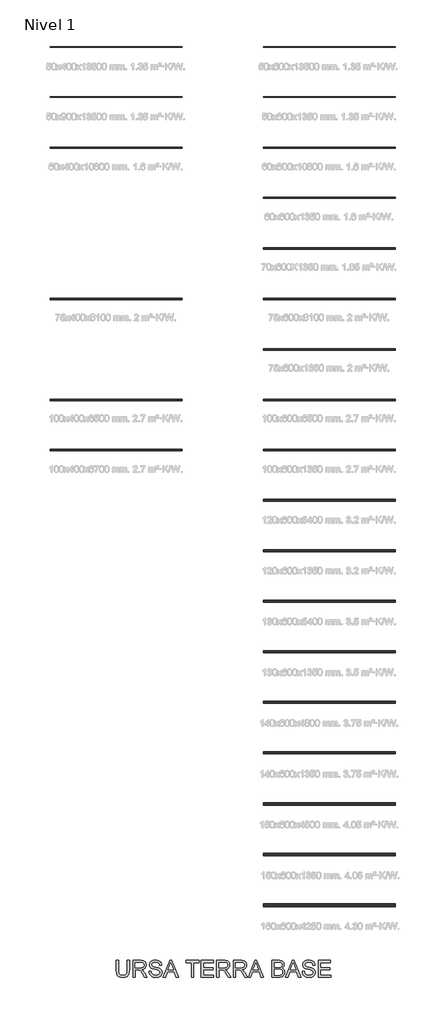
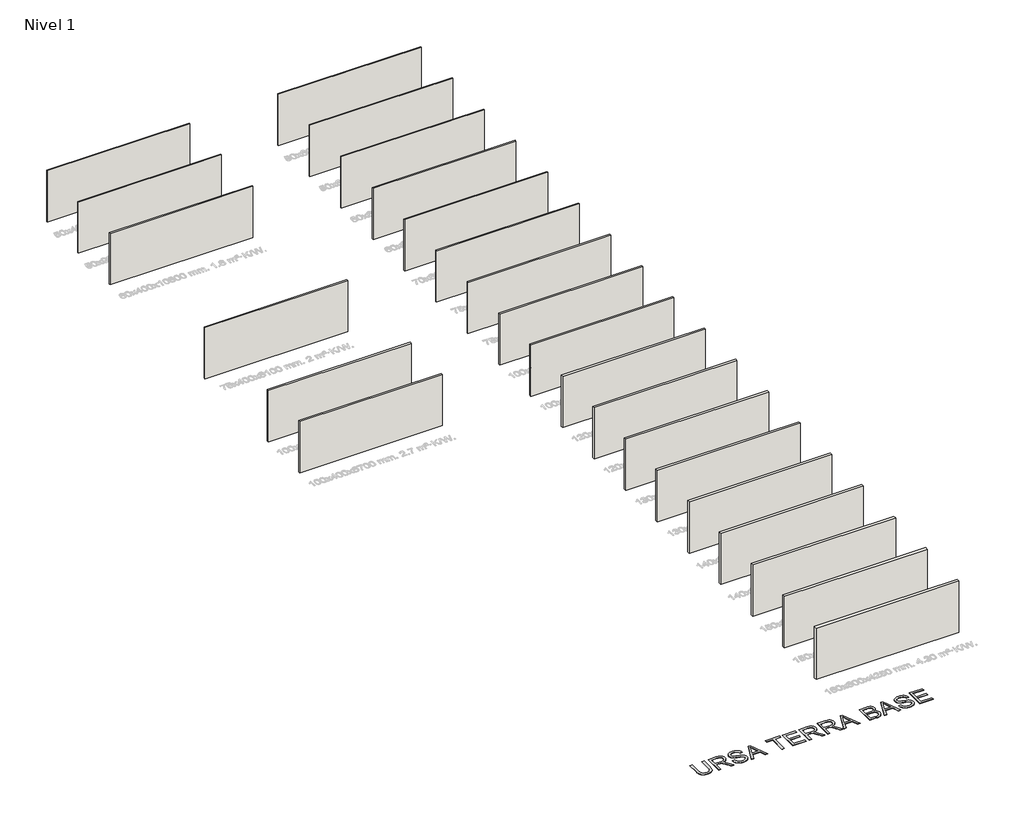
# One storey, part 1 of 25: 24 walls, 1 proxy.
"""IFC4 building model written with IfcOpenShell, lengths in millimetres."""

from ifc_helpers import new_model, si_unit, origin, origin_with_axes, place, context, project, spatial, polyline, outline, extrude, element, save

model = new_model("IFC4")

# Units and contexts
model_context = context("Model", 3, world=origin())
ifc_project = project(units=[si_unit("LENGTHUNIT", "METRE", prefix="MILLI")], contexts=[model_context])

# Site, building, storey
site = spatial("IfcSite", under=ifc_project)
building = spatial("IfcBuilding", under=site)
storey = spatial("IfcBuildingStorey", under=building, Name="Nivel 1", Elevation=0.0)

# Proxy
placement = place(None, origin())
element("IfcBuildingElementProxy", 1, Name="Texto de modelo 2", ObjectType="Texto de modelo 2", at=placement, inside=storey, context=model_context, shape_type="SweptSolid", body=[
    extrude(outline(polyline([(-8415.3049415, -50794.1482547), (-8289.7345538, -50794.1482547), (-8289.7345538, -51373.6850245), (-8291.8652037, -51445.4450061), (-8298.2571533, -51509.4028238), (-8308.9104028, -51565.5584776), (-8323.824952, -51613.9119673), (-8344.288388, -51656.2950388), (-8371.5882977, -51694.5394379), (-8405.7246812, -51728.6451645), (-8446.6975384, -51758.6122187), (-8494.5528546, -51783.022722), (-8549.336615, -51800.4587957), (-8611.0488197, -51810.9204399), (-8679.6894687, -51814.4076547), (-8746.6363276, -51811.3726282), (-8807.1912368, -51802.2675488), (-8861.3541964, -51787.0924165), (-8909.1252063, -51765.8472313), (-8950.5119308, -51738.8462257), (-8985.522034, -51706.4036323), (-9014.1555159, -51668.519451), (-9036.4123767, -51625.1936818), (-9053.097358, -51574.9394684), (-9065.0152018, -51516.2699544), (-9072.1659081, -51449.1851398), (-9074.5494768, -51373.6850245), (-9074.5494768, -50794.1482547), (-8948.9790891, -50794.1482547), (-8948.9790891, -51369.2704405), (-8947.4309191, -51429.9786339), (-8942.7864089, -51482.1182425), (-8935.0455586, -51525.6892663), (-8924.2083681, -51560.6917053), (-8909.6003872, -51589.6547482), (-8890.5471656, -51615.1075838), (-8867.0487031, -51637.050212), (-8839.1049999, -51655.4826328), (-8807.2525505, -51670.0752852), (-8772.0278495, -51680.4986084), (-8733.4308968, -51686.7526023), (-8691.4616925, -51688.837267), (-8622.2538922, -51684.713923), (-8563.7453265, -51672.3438909), (-8515.9359956, -51651.7271707), (-8496.0435431, -51638.3263026), (-8478.8258993, -51622.8637625), (-8463.9381748, -51604.4696628), (-8451.0354802, -51582.2741157), (-8431.1851809, -51526.4786798), (-8419.2750013, -51455.4774547), (-8415.3049415, -51369.2704405), (-8415.3049415, -50794.1482547)])), origin_with_axes(), (0.0, 0.0, 1.0), 10.0),
    extrude(outline(polyline([(-8069.9863753, -51798.7113562), (-8069.9863753, -50794.1482547), (-7637.1118943, -50794.1482547), (-7574.9781582, -50795.8420447), (-7520.7692134, -50800.9234148), (-7474.4850598, -50809.3923649), (-7436.1256976, -50821.248895), (-7403.4608421, -50837.405046), (-7374.2602088, -50858.7728585), (-7348.5237975, -50885.3523327), (-7326.2516084, -50917.1434684), (-7308.2790401, -50952.4371473), (-7295.4414913, -50989.524251), (-7287.738962, -51028.4047794), (-7285.1714523, -51069.0787324), (-7289.4250878, -51120.6741823), (-7302.1859946, -51168.0389891), (-7323.4541724, -51211.1731531), (-7353.2296214, -51250.0766741), (-7391.8955519, -51283.5079504), (-7439.8351744, -51310.2253803), (-7497.0484889, -51330.2289638), (-7563.5354953, -51343.5187008), (-7522.1487708, -51370.5580275), (-7492.1663882, -51397.2294721), (-7440.7242226, -51458.2365697), (-7390.3857029, -51526.4786798), (-7222.8767678, -51798.7113562), (-7368.8032925, -51798.7113562), (-7499.5240281, -51590.4901469), (-7551.8245851, -51511.027636), (-7593.9470736, -51452.6570261), (-7629.0491473, -51412.4659181), (-7660.28846, -51387.5419129), (-7689.8723038, -51372.9186036), (-7720.0079706, -51363.6295832), (-7792.8486056, -51359.2149993), (-7944.4159876, -51359.2149993), (-7944.4159876, -51798.7113562), (-8069.9863753, -51798.7113562)]), holes=[polyline([(-7944.4159876, -51233.6446116), (-7663.3541433, -51233.6446116), (-7582.6347022, -51229.1993708), (-7520.0027925, -51215.8636485), (-7494.8182043, -51205.6395947), (-7472.8525835, -51192.7483965), (-7454.1059301, -51177.1900538), (-7438.5782443, -51158.9645666), (-7426.3998174, -51138.9686473), (-7417.700941, -51118.0990083), (-7412.4816152, -51096.3556495), (-7410.74184, -51073.738571), (-7414.0604421, -51041.6255386), (-7424.0162486, -51012.4862189), (-7440.6092595, -50986.3206119), (-7463.8394746, -50963.1287178), (-7494.2433887, -50944.1368098), (-7532.3574962, -50930.5711613), (-7578.1817972, -50922.4317721), (-7631.7162917, -50919.7186424), (-7944.4159876, -50919.7186424), (-7944.4159876, -51233.6446116)])]), origin_with_axes(), (0.0, 0.0, 1.0), 10.0),
    extrude(outline(polyline([(-7112.5121692, -51453.3927901), (-6986.9417815, -51453.3927901), (-6981.1936253, -51489.9433991), (-6972.53307, -51523.0757713), (-6960.9601156, -51552.7899066), (-6946.4747621, -51579.0858051), (-6928.3412454, -51602.492297), (-6905.8238016, -51623.5382128), (-6878.9224307, -51642.2235525), (-6847.6371327, -51658.548316), (-6813.1175388, -51671.7997321), (-6776.5132803, -51681.2650293), (-6737.8243571, -51686.9442076), (-6697.0507693, -51688.837267), (-6627.0918766, -51683.1044392), (-6595.3773829, -51675.9384045), (-6565.8395244, -51665.905956), (-6539.2064008, -51653.3673113), (-6516.2061119, -51638.6826883), (-6496.8386577, -51621.852087), (-6481.1040382, -51602.8755074), (-6468.9256113, -51582.5730198), (-6460.2267349, -51561.7646945), (-6455.0074091, -51540.4505314), (-6453.2676339, -51518.6305305), (-6458.4792955, -51476.6000126), (-6474.1142802, -51440.2716656), (-6487.2660616, -51424.1538357), (-6505.8747592, -51409.2776075), (-6529.940373, -51395.642981), (-6559.4629031, -51383.2499563), (-6625.7736328, -51363.5376127), (-6742.3002547, -51335.3026696), (-6862.3217557, -51303.5728475), (-6906.1227057, -51288.2827521), (-6939.1171222, -51273.3758671), (-6972.6480332, -51253.3722836), (-7001.6264045, -51231.1307513), (-7026.0522361, -51206.6512702), (-7045.9255281, -51179.9338403), (-7061.3229224, -51151.2543731), (-7072.3210612, -51120.8887801), (-7078.9199445, -51088.8370613), (-7081.1195723, -51055.0992166), (-7078.3987784, -51017.7055447), (-7070.2363966, -50981.5534744), (-7056.632427, -50946.6430059), (-7037.5868695, -50912.9741392), (-7013.3143221, -50881.9187674), (-6984.0293824, -50854.8487839), (-6949.7320506, -50831.7641887), (-6910.4223265, -50812.6649818), (-6867.4261183, -50797.6967831), (-6822.069334, -50787.0052126), (-6774.3519736, -50780.5902704), (-6724.274037, -50778.4519563), (-6669.6435607, -50780.6899051), (-6618.3240224, -50787.4037515), (-6570.315422, -50798.5934955), (-6525.6177596, -50814.2591371), (-6485.0587696, -50834.2627206), (-6449.4661866, -50858.4662902), (-6418.8400105, -50886.8698459), (-6393.1802413, -50919.4733877), (-6372.6861485, -50955.3265539), (-6357.5570014, -50993.4789824), (-6347.7928002, -51033.9306735), (-6343.3935446, -51076.681627), (-6468.9639323, -51076.681627), (-6477.3639045, -51036.6131464), (-6492.0178707, -51001.7563273), (-6512.9258307, -50972.1111699), (-6540.0877847, -50947.677674), (-6574.0095704, -50928.5784671), (-6615.1970254, -50914.9361765), (-6663.6501498, -50906.7508021), (-6719.3689437, -50904.0223439), (-6776.8658339, -50906.7201452), (-6825.9934086, -50914.8135491), (-6866.751668, -50928.3025556), (-6899.140612, -50947.1871647), (-6923.8193625, -50969.8885495), (-6941.4470415, -50994.8278831), (-6952.0236488, -51022.0051655), (-6955.5491846, -51051.4203967), (-6953.0506527, -51076.7276123), (-6945.5550571, -51099.6742517), (-6933.0623976, -51120.260315), (-6915.5726745, -51138.4858022), (-6888.0428385, -51155.7455991), (-6844.6940767, -51173.1893371), (-6785.5263892, -51190.817016), (-6710.5397758, -51208.6286359), (-6572.0935183, -51242.2898385), (-6523.3798108, -51257.5109561), (-6488.3390507, -51271.6590845), (-6449.8417328, -51293.1035391), (-6416.7553458, -51317.2151382), (-6389.0798899, -51343.9938818), (-6366.815365, -51373.4397698), (-6349.701188, -51405.3995181), (-6337.4767759, -51439.7198426), (-6330.1421286, -51476.4007432), (-6327.6972462, -51515.4422199), (-6330.5100106, -51554.7212871), (-6338.9483039, -51592.8507231), (-6353.012126, -51629.8305278), (-6372.7014769, -51665.6607013), (-6397.6714673, -51698.9540219), (-6427.5772079, -51728.3232678), (-6462.4186985, -51753.7684391), (-6502.1959392, -51775.2895359), (-6545.7516346, -51792.4037128), (-6591.9284892, -51804.628125), (-6640.726503, -51811.9627722), (-6692.1456761, -51814.4076547), (-6756.3794053, -51811.771167), (-6815.1715466, -51803.8617041), (-6868.5221001, -51790.679266), (-6916.4310658, -51772.2238526), (-6959.1896835, -51748.464807), (-6997.0891932, -51719.3714726), (-7030.1295949, -51684.9438492), (-7058.3108886, -51645.1819369), (-7081.0122734, -51601.3733226), (-7097.6129484, -51554.8055934), (-7108.1129137, -51505.4787492), (-7112.5121692, -51453.3927901)])), origin_with_axes(), (0.0, 0.0, 1.0), 10.0),
    extrude(outline(polyline([(-6256.0828844, -51798.7113562), (-5855.0915097, -50794.1482547), (-5748.1604764, -50794.1482547), (-5347.4143564, -51798.7113562), (-5480.0971293, -51798.7113562), (-5594.8763118, -51484.785387), (-6008.8661837, -51484.785387), (-6123.6453662, -51798.7113562), (-6256.0828844, -51798.7113562)]), holes=[polyline([(-5962.758307, -51359.2149993), (-5640.7389338, -51359.2149993), (-5731.4831593, -51112.2435532), (-5801.8712477, -50919.7186424), (-5864.4111869, -51090.6611428), (-5962.758307, -51359.2149993)])]), origin_with_axes(), (0.0, 0.0, 1.0), 10.0),
    extrude(outline(polyline([(-4569.7118185, -51798.7113562), (-4569.7118185, -50919.7186424), (-4899.3340862, -50919.7186424), (-4899.3340862, -50794.1482547), (-4114.5191632, -50794.1482547), (-4114.5191632, -50919.7186424), (-4444.1414309, -50919.7186424), (-4444.1414309, -51798.7113562), (-4569.7118185, -51798.7113562)])), origin_with_axes(), (0.0, 0.0, 1.0), 10.0),
    extrude(outline(polyline([(-3973.252477, -51798.7113562), (-3973.252477, -50794.1482547), (-3251.2227478, -50794.1482547), (-3251.2227478, -50919.7186424), (-3847.6820893, -50919.7186424), (-3847.6820893, -51217.9483132), (-3282.6153448, -51217.9483132), (-3282.6153448, -51343.5187008), (-3847.6820893, -51343.5187008), (-3847.6820893, -51673.1409685), (-3235.5264494, -51673.1409685), (-3235.5264494, -51798.7113562), (-3973.252477, -51798.7113562)])), origin_with_axes(), (0.0, 0.0, 1.0), 10.0),
    extrude(outline(polyline([(-3047.1708678, -51798.7113562), (-3047.1708678, -50794.1482547), (-2614.2963869, -50794.1482547), (-2552.1626507, -50795.8420447), (-2497.9537059, -50800.9234148), (-2451.6695524, -50809.3923649), (-2413.3101902, -50821.248895), (-2380.6453347, -50837.405046), (-2351.4447013, -50858.7728585), (-2325.7082901, -50885.3523327), (-2303.4361009, -50917.1434684), (-2285.4635326, -50952.4371473), (-2272.6259838, -50989.524251), (-2264.9234546, -51028.4047794), (-2262.3559448, -51069.0787324), (-2266.6095804, -51120.6741823), (-2279.3704871, -51168.0389891), (-2300.6386649, -51211.1731531), (-2330.4141139, -51250.0766741), (-2369.0800444, -51283.5079504), (-2417.0196669, -51310.2253803), (-2474.2329814, -51330.2289638), (-2540.7199878, -51343.5187008), (-2499.3332634, -51370.5580275), (-2469.3508808, -51397.2294721), (-2417.9087151, -51458.2365697), (-2367.5701954, -51526.4786798), (-2200.0612603, -51798.7113562), (-2345.987785, -51798.7113562), (-2476.7085207, -51590.4901469), (-2529.0090776, -51511.027636), (-2571.1315661, -51452.6570261), (-2606.2336398, -51412.4659181), (-2637.4729525, -51387.5419129), (-2667.0567963, -51372.9186036), (-2697.1924631, -51363.6295832), (-2770.0330981, -51359.2149993), (-2921.6004802, -51359.2149993), (-2921.6004802, -51798.7113562), (-3047.1708678, -51798.7113562)]), holes=[polyline([(-2921.6004802, -51233.6446116), (-2640.5386358, -51233.6446116), (-2559.8191947, -51229.1993708), (-2497.1872851, -51215.8636485), (-2472.0026968, -51205.6395947), (-2450.037076, -51192.7483965), (-2431.2904227, -51177.1900538), (-2415.7627368, -51158.9645666), (-2403.5843099, -51138.9686473), (-2394.8854336, -51118.0990083), (-2389.6661078, -51096.3556495), (-2387.9263325, -51073.738571), (-2391.2449347, -51041.6255386), (-2401.2007411, -51012.4862189), (-2417.793752, -50986.3206119), (-2441.0239671, -50963.1287178), (-2471.4278812, -50944.1368098), (-2509.5419887, -50930.5711613), (-2555.3662898, -50922.4317721), (-2608.9007843, -50919.7186424), (-2921.6004802, -50919.7186424), (-2921.6004802, -51233.6446116)])]), origin_with_axes(), (0.0, 0.0, 1.0), 10.0),
    extrude(outline(polyline([(-2042.6077663, -51798.7113562), (-2042.6077663, -50794.1482547), (-1609.7332854, -50794.1482547), (-1547.5995492, -50795.8420447), (-1493.3906044, -50800.9234148), (-1447.1064509, -50809.3923649), (-1408.7470887, -50821.248895), (-1376.0822332, -50837.405046), (-1346.8815998, -50858.7728585), (-1321.1451886, -50885.3523327), (-1298.8729994, -50917.1434684), (-1280.9004311, -50952.4371473), (-1268.0628823, -50989.524251), (-1260.3603531, -51028.4047794), (-1257.7928433, -51069.0787324), (-1262.0464789, -51120.6741823), (-1274.8073856, -51168.0389891), (-1296.0755634, -51211.1731531), (-1325.8510124, -51250.0766741), (-1364.5169429, -51283.5079504), (-1412.4565654, -51310.2253803), (-1469.6698799, -51330.2289638), (-1536.1568863, -51343.5187008), (-1494.7701619, -51370.5580275), (-1464.7877793, -51397.2294721), (-1413.3456136, -51458.2365697), (-1363.0070939, -51526.4786798), (-1195.4981588, -51798.7113562), (-1341.4246835, -51798.7113562), (-1472.1454192, -51590.4901469), (-1524.4459761, -51511.027636), (-1566.5684646, -51452.6570261), (-1601.6705383, -51412.4659181), (-1632.9098511, -51387.5419129), (-1662.4936948, -51372.9186036), (-1692.6293616, -51363.6295832), (-1765.4699966, -51359.2149993), (-1917.0373787, -51359.2149993), (-1917.0373787, -51798.7113562), (-2042.6077663, -51798.7113562)]), holes=[polyline([(-1917.0373787, -51233.6446116), (-1635.9755343, -51233.6446116), (-1555.2560932, -51229.1993708), (-1492.6241836, -51215.8636485), (-1467.4395953, -51205.6395947), (-1445.4739745, -51192.7483965), (-1426.7273212, -51177.1900538), (-1411.1996353, -51158.9645666), (-1399.0212084, -51138.9686473), (-1390.3223321, -51118.0990083), (-1385.1030063, -51096.3556495), (-1383.363231, -51073.738571), (-1386.6818332, -51041.6255386), (-1396.6376397, -51012.4862189), (-1413.2306505, -50986.3206119), (-1436.4608656, -50963.1287178), (-1466.8647797, -50944.1368098), (-1504.9788872, -50930.5711613), (-1550.8031883, -50922.4317721), (-1604.3376828, -50919.7186424), (-1917.0373787, -50919.7186424), (-1917.0373787, -51233.6446116)])]), origin_with_axes(), (0.0, 0.0, 1.0), 10.0),
    extrude(outline(polyline([(-1154.7858847, -51798.7113562), (-753.7945099, -50794.1482547), (-646.8634766, -50794.1482547), (-246.1173566, -51798.7113562), (-378.8001295, -51798.7113562), (-493.579312, -51484.785387), (-907.5691839, -51484.785387), (-1022.3483664, -51798.7113562), (-1154.7858847, -51798.7113562)]), holes=[polyline([(-861.4613072, -51359.2149993), (-539.4419341, -51359.2149993), (-630.1861595, -51112.2435532), (-700.5742479, -50919.7186424), (-763.1141871, -51090.6611428), (-861.4613072, -51359.2149993)])]), origin_with_axes(), (0.0, 0.0, 1.0), 10.0),
    extrude(outline(polyline([(280.4444059, -51798.7113562), (280.4444059, -50794.1482547), (663.7774448, -50794.1482547), (719.3812756, -50795.9953289), (769.2062933, -50801.5365515), (813.252498, -50810.7719224), (851.5198897, -50823.7014417), (884.9818229, -50840.4630651), (914.6116519, -50861.1947483), (940.4093768, -50885.8964915), (962.3749976, -50914.5682945), (979.9183702, -50945.5930094), (992.4493507, -50977.3534883), (999.967939, -51009.8497312), (1002.4741351, -51043.0817381), (1000.3664778, -51073.7768921), (994.043506, -51103.5676695), (983.5052197, -51132.4540703), (968.7516188, -51160.4360946), (949.7367182, -51186.6400225), (926.4145326, -51210.1921344), (898.7850619, -51231.0924303), (866.8483062, -51249.3409101), (904.7478159, -51265.497061), (938.0028154, -51286.4969916), (966.6133047, -51312.3407018), (990.5792839, -51343.0281915), (1009.5175424, -51377.6244275), (1023.04487, -51415.1943762), (1031.1612665, -51455.7380378), (1033.866732, -51499.2554121), (1032.0196578, -51534.916973), (1026.4784352, -51569.3062754), (1017.2430643, -51602.4233192), (1004.313545, -51634.2681044), (988.6555676, -51663.6833356), (971.2348223, -51689.5117173), (952.0513091, -51711.7532496), (931.105028, -51730.4079324), (907.9054697, -51746.2421866), (881.9621248, -51760.0224331), (821.8440754, -51781.4209024), (748.7888426, -51794.3887428), (660.8343889, -51798.7113562), (280.4444059, -51798.7113562)]), holes=[polyline([(406.0147935, -51202.2520147), (635.3279039, -51202.2520147), (715.5261788, -51199.5542134), (769.2369501, -51191.4608095), (794.3219037, -51183.3137562), (816.1112477, -51172.8521119), (834.6049821, -51160.0758768), (849.8031071, -51144.9850508), (861.6596372, -51127.6869328), (870.1285873, -51108.2888218), (875.2099574, -51086.7907177), (876.9037474, -51063.1926205), (875.3249205, -51040.5985347), (870.5884398, -51019.4146631), (862.6943053, -50999.6410059), (851.642517, -50981.2775629), (837.6476728, -50965.0064488), (820.9243704, -50951.5097782), (801.4726099, -50940.7875508), (779.2923913, -50932.8397669), (715.4035515, -50922.9989235), (617.9148228, -50919.7186424), (406.0147935, -50919.7186424), (406.0147935, -51202.2520147)]), polyline([(406.0147935, -51673.1409685), (663.5321902, -51673.1409685), (719.9407628, -51671.9146952), (756.7289623, -51668.2358753), (799.9857536, -51657.3526996), (835.5783366, -51640.8899803), (864.5183869, -51617.3148758), (887.8175799, -51585.0945443), (903.1766532, -51545.6698572), (908.2963443, -51500.4816855), (906.7941595, -51473.3197315), (902.287605, -51447.9971875), (894.776681, -51424.5140535), (884.2613873, -51402.8703294), (870.3815062, -51383.6868162), (852.7768199, -51367.5843147), (831.4473283, -51354.5628249), (806.3930316, -51344.6223468), (776.5102837, -51337.2723711), (740.6954387, -51332.0223885), (651.269457, -51327.8224024), (406.0147935, -51327.8224024), (406.0147935, -51673.1409685)])]), origin_with_axes(), (0.0, 0.0, 1.0), 10.0),
    extrude(outline(polyline([(1089.7847953, -51798.7113562), (1490.77617, -50794.1482547), (1597.7072033, -50794.1482547), (1998.4533233, -51798.7113562), (1865.7705504, -51798.7113562), (1750.9913679, -51484.785387), (1337.001496, -51484.785387), (1222.2223135, -51798.7113562), (1089.7847953, -51798.7113562)]), holes=[polyline([(1383.1093727, -51359.2149993), (1705.1287458, -51359.2149993), (1614.3845204, -51112.2435532), (1543.996432, -50919.7186424), (1481.4564928, -51090.6611428), (1383.1093727, -51359.2149993)])]), origin_with_axes(), (0.0, 0.0, 1.0), 10.0),
    extrude(outline(polyline([(2085.5187289, -51453.3927901), (2211.0891165, -51453.3927901), (2216.8372727, -51489.9433991), (2225.497828, -51523.0757713), (2237.0707825, -51552.7899066), (2251.556136, -51579.0858051), (2269.6896527, -51602.492297), (2292.2070965, -51623.5382128), (2319.1084674, -51642.2235525), (2350.3937654, -51658.548316), (2384.9133593, -51671.7997321), (2421.5176178, -51681.2650293), (2460.206541, -51686.9442076), (2500.9801287, -51688.837267), (2570.9390215, -51683.1044392), (2602.6535152, -51675.9384045), (2632.1913737, -51665.905956), (2658.8244973, -51653.3673113), (2681.8247862, -51638.6826883), (2701.1922404, -51621.852087), (2716.9268599, -51602.8755074), (2729.1052868, -51582.5730198), (2737.8041631, -51561.7646945), (2743.023489, -51540.4505314), (2744.7632642, -51518.6305305), (2739.5516026, -51476.6000126), (2723.9166178, -51440.2716656), (2710.7648365, -51424.1538357), (2692.1561389, -51409.2776075), (2668.0905251, -51395.642981), (2638.5679949, -51383.2499563), (2572.2572653, -51363.5376127), (2455.7306433, -51335.3026696), (2335.7091424, -51303.5728475), (2291.9081924, -51288.2827521), (2258.9137759, -51273.3758671), (2225.3828649, -51253.3722836), (2196.4044936, -51231.1307513), (2171.9786619, -51206.6512702), (2152.10537, -51179.9338403), (2136.7079756, -51151.2543731), (2125.7098368, -51120.8887801), (2119.1109535, -51088.8370613), (2116.9113258, -51055.0992166), (2119.6321197, -51017.7055447), (2127.7945015, -50981.5534744), (2141.3984711, -50946.6430059), (2160.4440285, -50912.9741392), (2184.716576, -50881.9187674), (2214.0015157, -50854.8487839), (2248.2988475, -50831.7641887), (2287.6085715, -50812.6649818), (2330.6047797, -50797.6967831), (2375.9615641, -50787.0052126), (2423.6789245, -50780.5902704), (2473.7568611, -50778.4519563), (2528.3873374, -50780.6899051), (2579.7068757, -50787.4037515), (2627.7154761, -50798.5934955), (2672.4131385, -50814.2591371), (2712.9721285, -50834.2627206), (2748.5647115, -50858.4662902), (2779.1908876, -50886.8698459), (2804.8506568, -50919.4733877), (2825.3447496, -50955.3265539), (2840.4738966, -50993.4789824), (2850.2380979, -51033.9306735), (2854.6373534, -51076.681627), (2729.0669658, -51076.681627), (2720.6669935, -51036.6131464), (2706.0130274, -51001.7563273), (2685.1050673, -50972.1111699), (2657.9431134, -50947.677674), (2624.0213277, -50928.5784671), (2582.8338727, -50914.9361765), (2534.3807482, -50906.7508021), (2478.6619544, -50904.0223439), (2421.1650642, -50906.7201452), (2372.0374894, -50914.8135491), (2331.2792301, -50928.3025556), (2298.8902861, -50947.1871647), (2274.2115356, -50969.8885495), (2256.5838566, -50994.8278831), (2246.0072493, -51022.0051655), (2242.4817135, -51051.4203967), (2244.9802454, -51076.7276123), (2252.475841, -51099.6742517), (2264.9685004, -51120.260315), (2282.4582236, -51138.4858022), (2309.9880596, -51155.7455991), (2353.3368214, -51173.1893371), (2412.5045089, -51190.817016), (2487.4911223, -51208.6286359), (2625.9373798, -51242.2898385), (2674.6510873, -51257.5109561), (2709.6918473, -51271.6590845), (2748.1891653, -51293.1035391), (2781.2755522, -51317.2151382), (2808.9510082, -51343.9938818), (2831.2155331, -51373.4397698), (2848.3297101, -51405.3995181), (2860.5541222, -51439.7198426), (2867.8887695, -51476.4007432), (2870.3336519, -51515.4422199), (2867.5208875, -51554.7212871), (2859.0825942, -51592.8507231), (2845.0187721, -51629.8305278), (2825.3294212, -51665.6607013), (2800.3594307, -51698.9540219), (2770.4536902, -51728.3232678), (2735.6121996, -51753.7684391), (2695.8349589, -51775.2895359), (2652.2792635, -51792.4037128), (2606.1024089, -51804.628125), (2557.3043951, -51811.9627722), (2505.885222, -51814.4076547), (2441.6514928, -51811.771167), (2382.8593515, -51803.8617041), (2329.508798, -51790.679266), (2281.5998323, -51772.2238526), (2238.8412146, -51748.464807), (2200.9417048, -51719.3714726), (2167.9013032, -51684.9438492), (2139.7200095, -51645.1819369), (2117.0186247, -51601.3733226), (2100.4179497, -51554.8055934), (2089.9179844, -51505.4787492), (2085.5187289, -51453.3927901)])), origin_with_axes(), (0.0, 0.0, 1.0), 10.0),
    extrude(outline(polyline([(3058.6892334, -51798.7113562), (3058.6892334, -50794.1482547), (3780.7189626, -50794.1482547), (3780.7189626, -50919.7186424), (3184.2596211, -50919.7186424), (3184.2596211, -51217.9483132), (3749.3263657, -51217.9483132), (3749.3263657, -51343.5187008), (3184.2596211, -51343.5187008), (3184.2596211, -51673.1409685), (3796.4152611, -51673.1409685), (3796.4152611, -51798.7113562), (3058.6892334, -51798.7113562)])), origin_with_axes(), (0.0, 0.0, 1.0), 10.0),
])

# Walls
element("IfcWall", 2, at=placement, inside=storey, context=model_context, shape_type="SweptSolid", body=[
    extrude(outline(polyline([(7668.7582768, 950.3831431), (-231.2417232, 950.3831431), (-231.2417232, 1000.3831431), (7668.7582768, 1000.3831431), (7668.7582768, 950.3831431)])), origin_with_axes(), (0.0, 0.0, 1.0), 3000.0),
])
element("IfcWall", 3, at=placement, inside=storey, context=model_context, shape_type="SweptSolid", body=[
    extrude(outline(polyline([(-5131.2417232, 3950.3831431), (-13031.2417232, 3950.3831431), (-13031.2417232, 4000.3831431), (-5131.2417232, 4000.3831431), (-5131.2417232, 3950.3831431)])), origin_with_axes(), (0.0, 0.0, 1.0), 3000.0),
])
element("IfcWall", 4, at=placement, inside=storey, context=model_context, shape_type="SweptSolid", body=[
    extrude(outline(polyline([(7668.7582768, -2084.6168569), (-231.2417232, -2084.6168569), (-231.2417232, -2024.6168569), (7668.7582768, -2024.6168569), (7668.7582768, -2084.6168569)])), origin_with_axes(), (0.0, 0.0, 1.0), 3000.0),
])
element("IfcWall", 5, at=placement, inside=storey, context=model_context, shape_type="SweptSolid", body=[
    extrude(outline(polyline([(7668.7582768, -5109.6168569), (-231.2417232, -5109.6168569), (-231.2417232, -5049.6168569), (7668.7582768, -5049.6168569), (7668.7582768, -5109.6168569)])), origin_with_axes(), (0.0, 0.0, 1.0), 3000.0),
])
element("IfcWall", 6, at=placement, inside=storey, context=model_context, shape_type="SweptSolid", body=[
    extrude(outline(polyline([(7668.7582768, -11174.6168569), (-231.2417232, -11174.6168569), (-231.2417232, -11099.6168569), (7668.7582768, -11099.6168569), (7668.7582768, -11174.6168569)])), origin_with_axes(), (0.0, 0.0, 1.0), 3000.0),
])
element("IfcWall", 7, at=placement, inside=storey, context=model_context, shape_type="SweptSolid", body=[
    extrude(outline(polyline([(7668.7582768, -14199.6168569), (-231.2417232, -14199.6168569), (-231.2417232, -14124.6168569), (7668.7582768, -14124.6168569), (7668.7582768, -14199.6168569)])), origin_with_axes(), (0.0, 0.0, 1.0), 3000.0),
])
element("IfcWall", 8, at=placement, inside=storey, context=model_context, shape_type="SweptSolid", body=[
    extrude(outline(polyline([(7668.7582768, -17249.6168569), (-231.2417232, -17249.6168569), (-231.2417232, -17149.6168569), (7668.7582768, -17149.6168569), (7668.7582768, -17249.6168569)])), origin_with_axes(), (0.0, 0.0, 1.0), 3000.0),
])
element("IfcWall", 9, at=placement, inside=storey, context=model_context, shape_type="SweptSolid", body=[
    extrude(outline(polyline([(7668.7582768, 3950.3831431), (-231.2417232, 3950.3831431), (-231.2417232, 4000.3831431), (7668.7582768, 4000.3831431), (7668.7582768, 3950.3831431)])), origin_with_axes(), (0.0, 0.0, 1.0), 3000.0),
])
element("IfcWall", 10, at=placement, inside=storey, context=model_context, shape_type="SweptSolid", body=[
    extrude(outline(polyline([(7668.7582768, -23263.6168569), (-231.2417232, -23263.6168569), (-231.2417232, -23143.6168569), (7668.7582768, -23143.6168569), (7668.7582768, -23263.6168569)])), origin_with_axes(), (0.0, 0.0, 1.0), 3000.0),
])
element("IfcWall", 11, at=placement, inside=storey, context=model_context, shape_type="SweptSolid", body=[
    extrude(outline(polyline([(7668.7582768, -26288.6168569), (-231.2417232, -26288.6168569), (-231.2417232, -26168.6168569), (7668.7582768, -26168.6168569), (7668.7582768, -26288.6168569)])), origin_with_axes(), (0.0, 0.0, 1.0), 3000.0),
])
element("IfcWall", 12, at=placement, inside=storey, context=model_context, shape_type="SweptSolid", body=[
    extrude(outline(polyline([(7668.7582768, -29323.6168569), (-231.2417232, -29323.6168569), (-231.2417232, -29193.6168569), (7668.7582768, -29193.6168569), (7668.7582768, -29323.6168569)])), origin_with_axes(), (0.0, 0.0, 1.0), 3000.0),
])
element("IfcWall", 13, at=placement, inside=storey, context=model_context, shape_type="SweptSolid", body=[
    extrude(outline(polyline([(7668.7582768, -32348.6168569), (-231.2417232, -32348.6168569), (-231.2417232, -32218.6168569), (7668.7582768, -32218.6168569), (7668.7582768, -32348.6168569)])), origin_with_axes(), (0.0, 0.0, 1.0), 3000.0),
])
element("IfcWall", 14, at=placement, inside=storey, context=model_context, shape_type="SweptSolid", body=[
    extrude(outline(polyline([(7668.7582768, -35383.6168569), (-231.2417232, -35383.6168569), (-231.2417232, -35243.6168569), (7668.7582768, -35243.6168569), (7668.7582768, -35383.6168569)])), origin_with_axes(), (0.0, 0.0, 1.0), 3000.0),
])
element("IfcWall", 15, at=placement, inside=storey, context=model_context, shape_type="SweptSolid", body=[
    extrude(outline(polyline([(7668.7582768, -38408.6168569), (-231.2417232, -38408.6168569), (-231.2417232, -38268.6168569), (7668.7582768, -38268.6168569), (7668.7582768, -38408.6168569)])), origin_with_axes(), (0.0, 0.0, 1.0), 3000.0),
])
element("IfcWall", 16, at=placement, inside=storey, context=model_context, shape_type="SweptSolid", body=[
    extrude(outline(polyline([(7668.7582768, -20243.6168569), (-231.2417232, -20243.6168569), (-231.2417232, -20143.6168569), (7668.7582768, -20143.6168569), (7668.7582768, -20243.6168569)])), origin_with_axes(), (0.0, 0.0, 1.0), 3000.0),
])
element("IfcWall", 17, at=placement, inside=storey, context=model_context, shape_type="SweptSolid", body=[
    extrude(outline(polyline([(7668.7582768, -41483.6168569), (-231.2417232, -41483.6168569), (-231.2417232, -41333.6168569), (7668.7582768, -41333.6168569), (7668.7582768, -41483.6168569)])), origin_with_axes(), (0.0, 0.0, 1.0), 3000.0),
])
element("IfcWall", 18, at=placement, inside=storey, context=model_context, shape_type="SweptSolid", body=[
    extrude(outline(polyline([(7668.7582768, -44508.6168569), (-231.2417232, -44508.6168569), (-231.2417232, -44358.6168569), (7668.7582768, -44358.6168569), (7668.7582768, -44508.6168569)])), origin_with_axes(), (0.0, 0.0, 1.0), 3000.0),
])
element("IfcWall", 19, at=placement, inside=storey, context=model_context, shape_type="SweptSolid", body=[
    extrude(outline(polyline([(-5131.2417232, -2084.6168569), (-13031.2417232, -2084.6168569), (-13031.2417232, -2024.6168569), (-5131.2417232, -2024.6168569), (-5131.2417232, -2084.6168569)])), origin_with_axes(), (0.0, 0.0, 1.0), 3000.0),
])
element("IfcWall", 20, at=placement, inside=storey, context=model_context, shape_type="SweptSolid", body=[
    extrude(outline(polyline([(-5131.2417232, -11174.6168569), (-13031.2417232, -11174.6168569), (-13031.2417232, -11099.6168569), (-5131.2417232, -11099.6168569), (-5131.2417232, -11174.6168569)])), origin_with_axes(), (0.0, 0.0, 1.0), 3000.0),
])
element("IfcWall", 21, at=placement, inside=storey, context=model_context, shape_type="SweptSolid", body=[
    extrude(outline(polyline([(-5131.2417232, -17249.6168569), (-13031.2417232, -17249.6168569), (-13031.2417232, -17149.6168569), (-5131.2417232, -17149.6168569), (-5131.2417232, -17249.6168569)])), origin_with_axes(), (0.0, 0.0, 1.0), 3000.0),
])
element("IfcWall", 22, at=placement, inside=storey, context=model_context, shape_type="SweptSolid", body=[
    extrude(outline(polyline([(-5131.2417232, -20243.6168569), (-13031.2417232, -20243.6168569), (-13031.2417232, -20143.6168569), (-5131.2417232, -20143.6168569), (-5131.2417232, -20243.6168569)])), origin_with_axes(), (0.0, 0.0, 1.0), 3000.0),
])
element("IfcWall", 23, at=placement, inside=storey, context=model_context, shape_type="SweptSolid", body=[
    extrude(outline(polyline([(-5131.2417232, 950.3831431), (-13031.2417232, 950.3831431), (-13031.2417232, 1000.3831431), (-5131.2417232, 1000.3831431), (-5131.2417232, 950.3831431)])), origin_with_axes(), (0.0, 0.0, 1.0), 3000.0),
])
element("IfcWall", 24, at=placement, inside=storey, context=model_context, shape_type="SweptSolid", body=[
    extrude(outline(polyline([(7668.7582768, -47563.6168569), (-231.2417232, -47563.6168569), (-231.2417232, -47403.6168569), (7668.7582768, -47403.6168569), (7668.7582768, -47563.6168569)])), origin_with_axes(), (0.0, 0.0, 1.0), 3000.0),
])
element("IfcWall", 25, at=placement, inside=storey, context=model_context, shape_type="SweptSolid", body=[
    extrude(outline(polyline([(7668.7582768, -8144.6168569), (-231.2417232, -8144.6168569), (-231.2417232, -8074.6168569), (7668.7582768, -8074.6168569), (7668.7582768, -8144.6168569)])), origin_with_axes(), (0.0, 0.0, 1.0), 3000.0),
])

save(model, "model.ifc")
